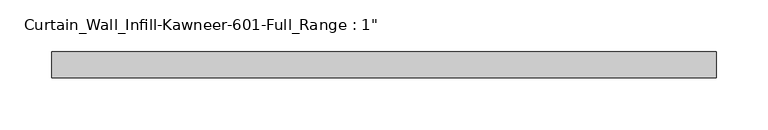
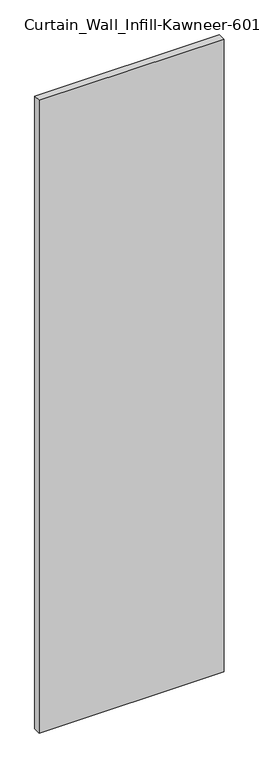
"""IFC4 building model written with IfcOpenShell, lengths in millimetres: plate geometry."""

from ifc_helpers import new_model, si_unit, origin, origin_with_axes, place, context, project, spatial, polyline, outline, extrude, source, transform, mapped, element, save


def plate_a2052b68(model_context):
    return source(origin(), model_context, "Body", "SweptSolid", [
        extrude(outline(polyline([(-322.2625, 12.7), (322.2625, 12.7), (322.2625, -12.7), (-322.2625, -12.7), (-322.2625, 12.7)])), origin_with_axes(), (0.0, 0.0, 1.0), 2330.45),
    ])


if __name__ == "__main__":
    model = new_model("IFC4")
    model_context = context("Model", 3, world=origin())
    ifc_project = project(units=[si_unit("LENGTHUNIT", "METRE", prefix="MILLI")], contexts=[model_context])
    site = spatial("IfcSite", under=ifc_project)
    building = spatial("IfcBuilding", under=site)
    placement = place(None, origin())
    plate_shape = plate_a2052b68(model_context)
    element("IfcPlate", 1, ObjectType="Curtain_Wall_Infill-Kawneer-601-Full_Range : 1\"", at=placement, inside=building, context=model_context, shape_type="MappedRepresentation", body=[
        mapped(plate_shape, transform((0.0, 0.0, 0.0), x_axis=(1.0, 0.0, 0.0), y_axis=(0.0, 1.0, 0.0), z_axis=(0.0, 0.0, 1.0))),
    ])
    save(model, "model.ifc")
